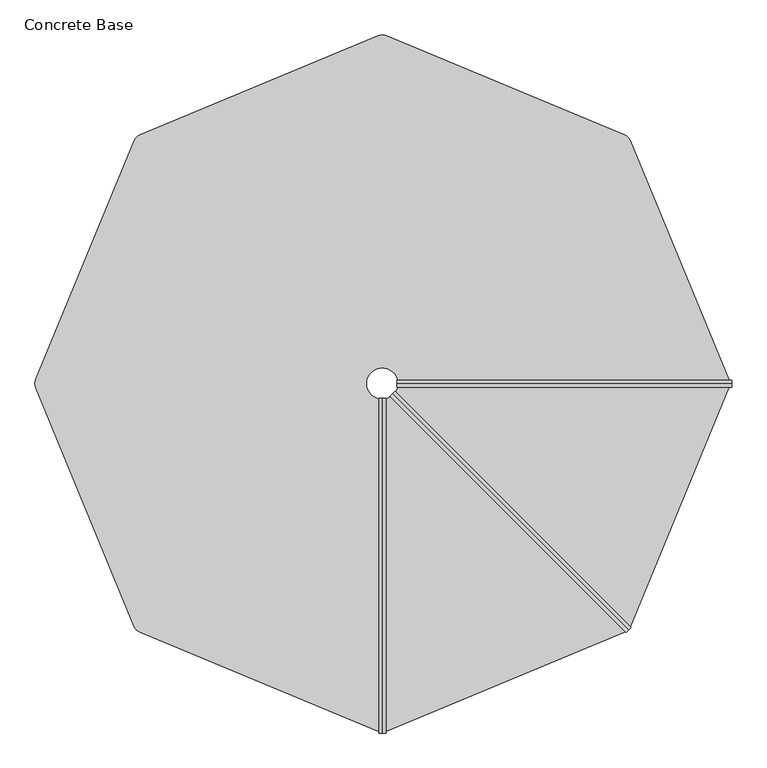
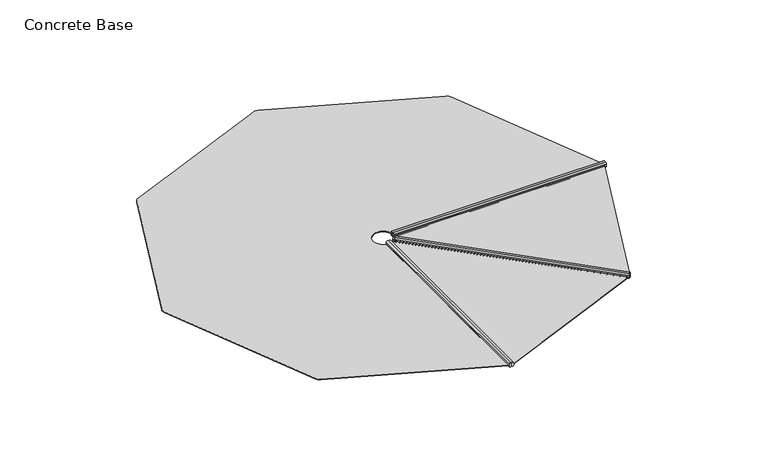
"""IFC4 building model written with IfcOpenShell, lengths in millimetres: furniture geometry, Concrete Base."""

from ifc_helpers import new_model, si_unit, point, frame, frame_2d, origin, origin_2d, place, context, project, spatial, polyline, circle_curve, trimmed, segment, composite_curve, outline, extrude, source, transform, mapped, element, save


def concrete_base_b5dee5c0(model_context):
    return source(origin(), model_context, "Body", "SweptSolid", [
        extrude(outline(composite_curve([segment(trimmed(circle_curve(frame_2d((-8.4573807, 1991.3858754)), 7.9608994), [point((-16.41828, 1991.3858754))], [point((-0.4964813, 1991.3858754))], False, "CARTESIAN"), True, "CONTINUOUS"), segment(polyline([(-0.4964813, 1991.3858754), (-0.4964813, 1975.2333729)]), True, "CONTINUOUS"), segment(trimmed(circle_curve(frame_2d((-8.4573807, 1975.2333729)), 7.9608994), [point((-0.4964813, 1975.2333729))], [point((-16.41828, 1975.2333729))], False, "CARTESIAN"), True, "CONTINUOUS"), segment(polyline([(-16.41828, 1975.2333729), (-16.41828, 1991.3858754)]), True, "CONTINUOUS")], self_intersect=False)), frame((67.1804697, 0.0, 0.0), z_axis=(1.0, 0.0, 0.0), x_axis=(0.0, 1.0, 0.0)), (0.0, 0.0, 1.0), 1555.5260609),
        extrude(outline(composite_curve([segment(polyline([(16.41828, 1991.3858754), (16.41828, 1975.2333729)]), True, "CONTINUOUS"), segment(trimmed(circle_curve(frame_2d((8.4573807, 1975.2333729)), 7.9608994), [point((16.41828, 1975.2333729))], [point((0.4964813, 1975.2333729))], False, "CARTESIAN"), True, "CONTINUOUS"), segment(polyline([(0.4964813, 1975.2333729), (0.4964813, 1991.3858754)]), True, "CONTINUOUS"), segment(trimmed(circle_curve(frame_2d((8.4573807, 1991.3858754)), 7.9608994), [point((0.4964813, 1991.3858754))], [point((16.41828, 1991.3858754))], False, "CARTESIAN"), True, "CONTINUOUS")], self_intersect=False)), frame((67.1804697, 0.0, 0.0), z_axis=(1.0, 0.0, 0.0), x_axis=(0.0, 1.0, 0.0)), (0.0, 0.0, 1.0), 1555.5260609),
        extrude(outline(composite_curve([segment(polyline([(-16.1525025, 0.0), (0.0, 0.0)]), True, "CONTINUOUS"), segment(trimmed(circle_curve(frame_2d((0.0, -7.9608994)), 7.9608994), [point((0.0, 0.0))], [point((0.0, -15.9217987))], False, "CARTESIAN"), True, "CONTINUOUS"), segment(polyline([(0.0, -15.9217987), (-16.1525025, -15.9217987)]), True, "CONTINUOUS"), segment(trimmed(circle_curve(frame_2d((-16.1525025, -7.9608994)), 7.9608994), [point((-16.1525025, -15.9217987))], [point((-16.1525025, 0.0))], False, "CARTESIAN"), True, "CONTINUOUS")], self_intersect=False)), frame((1131.7365755, -1154.9555298, 1975.2333729), z_axis=(-0.7071067811865462, 0.7071067811865489, 0.0), x_axis=(0.0, 0.0, -1.0)), (0.0, 0.0, 1.0), 1549.7550245),
        extrude(outline(composite_curve([segment(trimmed(circle_curve(frame_2d((-16.1525025, -24.8756607)), 7.9608994), [point((-16.1525025, -32.8365601))], [point((-16.1525025, -16.9147613))], False, "CARTESIAN"), True, "CONTINUOUS"), segment(polyline([(-16.1525025, -16.9147613), (0.0, -16.9147613)]), True, "CONTINUOUS"), segment(trimmed(circle_curve(frame_2d((0.0, -24.8756607)), 7.9608994), [point((0.0, -16.9147613))], [point((0.0, -32.8365601))], False, "CARTESIAN"), True, "CONTINUOUS"), segment(polyline([(0.0, -32.8365601), (-16.1525025, -32.8365601)]), True, "CONTINUOUS")], self_intersect=False)), frame((1131.7365755, -1154.9555298, 1975.2333729), z_axis=(-0.7071067811865462, 0.7071067811865489, 0.0), x_axis=(0.0, 0.0, -1.0)), (0.0, 0.0, 1.0), 1549.7550245),
        extrude(outline(composite_curve([segment(polyline([(1991.3858754, -16.41828), (1975.2333729, -16.41828)]), True, "CONTINUOUS"), segment(trimmed(circle_curve(frame_2d((1975.2333729, -8.4573807)), 7.9608994), [point((1975.2333729, -16.41828))], [point((1975.2333729, -0.4964813))], False, "CARTESIAN"), True, "CONTINUOUS"), segment(polyline([(1975.2333729, -0.4964813), (1991.3858754, -0.4964813)]), True, "CONTINUOUS"), segment(trimmed(circle_curve(frame_2d((1991.3858754, -8.4573807)), 7.9608994), [point((1991.3858754, -0.4964813))], [point((1991.3858754, -16.41828))], False, "CARTESIAN"), True, "CONTINUOUS")], self_intersect=False)), frame((0.0, -1622.7065305, 0.0), z_axis=(0.0, 1.0, 0.0), x_axis=(0.0, 0.0, 1.0)), (0.0, 0.0, 1.0), 1555.5260609),
        extrude(outline(composite_curve([segment(trimmed(circle_curve(frame_2d((1991.3858754, 8.4573807)), 7.9608994), [point((1991.3858754, 16.41828))], [point((1991.3858754, 0.4964813))], False, "CARTESIAN"), True, "CONTINUOUS"), segment(polyline([(1991.3858754, 0.4964813), (1975.2333729, 0.4964813)]), True, "CONTINUOUS"), segment(trimmed(circle_curve(frame_2d((1975.2333729, 8.4573807)), 7.9608994), [point((1975.2333729, 0.4964813))], [point((1975.2333729, 16.41828))], False, "CARTESIAN"), True, "CONTINUOUS"), segment(polyline([(1975.2333729, 16.41828), (1991.3858754, 16.41828)]), True, "CONTINUOUS")], self_intersect=False)), frame((0.0, -1622.7065305, 0.0), z_axis=(0.0, 1.0, 0.0), x_axis=(0.0, 0.0, 1.0)), (0.0, 0.0, 1.0), 1555.5260609),
        extrude(outline(composite_curve([segment(polyline([(1152.2443546, 1128.6048324), (1610.4492329, 19.4684834)]), True, "CONTINUOUS"), segment(trimmed(circle_curve(frame_2d((1564.237387, 0.3775093)), 50.0), [point((1610.4492329, 19.4684834))], [point((1610.4492347, -18.7134605))], False, "CARTESIAN"), True, "CONTINUOUS"), segment(polyline([(1610.4492347, -18.7134605), (1152.2442871, -1127.8502643)]), True, "CONTINUOUS"), segment(trimmed(circle_curve(frame_2d((1106.0324394, -1108.7592944)), 50.0), [point((1152.2442871, -1127.8502643))], [point((1125.2098638, -1154.9353314))], False, "CARTESIAN"), True, "CONTINUOUS"), segment(polyline([(1125.2098638, -1154.9353314), (19.1776809, -1614.282864)]), True, "CONTINUOUS"), segment(trimmed(circle_curve(frame_2d((0.0002564, -1568.106827)), 50.0), [point((19.1776809, -1614.282864))], [point((-19.1771676, -1614.2828642))], False, "CARTESIAN"), True, "CONTINUOUS"), segment(polyline([(-19.1771676, -1614.2828642), (-1125.2097543, -1154.9351757)]), True, "CONTINUOUS"), segment(trimmed(circle_curve(frame_2d((-1106.0323303, -1108.7591386)), 50.0), [point((-1125.2097543, -1154.9351757))], [point((-1152.2441726, -1127.8501214))], False, "CARTESIAN"), True, "CONTINUOUS"), segment(polyline([(-1152.2441726, -1127.8501214), (-1610.4495228, -18.7132276)]), True, "CONTINUOUS"), segment(trimmed(circle_curve(frame_2d((-1564.2376805, 0.3777552)), 50.0), [point((-1610.4495228, -18.7132276))], [point((-1610.4495121, 19.468764))], False, "CARTESIAN"), True, "CONTINUOUS"), segment(polyline([(-1610.4495121, 19.468764), (-1152.2434573, 1128.6055976)]), True, "CONTINUOUS"), segment(trimmed(circle_curve(frame_2d((-1106.0316257, 1109.5145888)), 50.0), [point((-1152.2434573, 1128.6055976))], [point((-1125.2090441, 1155.6906284))], False, "CARTESIAN"), True, "CONTINUOUS"), segment(polyline([(-1125.2090441, 1155.6906284), (-19.1772087, 1615.0378445)]), True, "CONTINUOUS"), segment(trimmed(circle_curve(frame_2d((0.0002096, 1568.861805)), 50.0), [point((-19.1772087, 1615.0378445))], [point((19.1776471, 1615.0378366))], False, "CARTESIAN"), True, "CONTINUOUS"), segment(polyline([(19.1776471, 1615.0378366), (1125.2099461, 1155.6898899)]), True, "CONTINUOUS"), segment(trimmed(circle_curve(frame_2d((1106.0325087, 1109.5138584)), 50.0), [point((1125.2099461, 1155.6898899))], [point((1152.2443546, 1128.6048324))], False, "CARTESIAN"), True, "CONTINUOUS")], self_intersect=False), holes=[composite_curve([segment(trimmed(circle_curve(origin_2d(), 71.8540359), [point((-71.8540359, 0.0))], [point((71.8540359, 0.0))], True, "CARTESIAN"), True, "CONTINUOUS"), segment(trimmed(circle_curve(origin_2d(), 71.8540359), [point((71.8540359, 0.0))], [point((-71.8540359, 0.0))], True, "CARTESIAN"), True, "CONTINUOUS")], self_intersect=False)]), frame((0.0, 0.0, 1975.2326571), z_axis=(0.0, 0.0, 1.0), x_axis=(1.0, 0.0, 0.0)), (0.0, 0.0, 1.0), 4.2410983),
    ])


if __name__ == "__main__":
    model = new_model("IFC4")
    model_context = context("Model", 3, world=origin())
    ifc_project = project(units=[si_unit("LENGTHUNIT", "METRE", prefix="MILLI")], contexts=[model_context])
    site = spatial("IfcSite", under=ifc_project)
    building = spatial("IfcBuilding", under=site)
    placement = place(None, origin())
    concrete_base_shape = concrete_base_b5dee5c0(model_context)
    element("IfcFurniture", 1, ObjectType="Concrete Base", at=placement, inside=building, context=model_context, shape_type="MappedRepresentation", body=[
        mapped(concrete_base_shape, transform((0.0, 0.0, 0.0), x_axis=(1.0, 0.0, 0.0), y_axis=(0.0, 1.0, 0.0), z_axis=(0.0, 0.0, 1.0))),
    ])
    save(model, "model.ifc")
